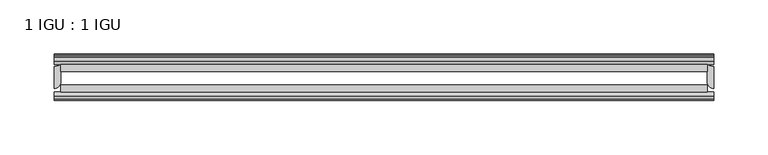
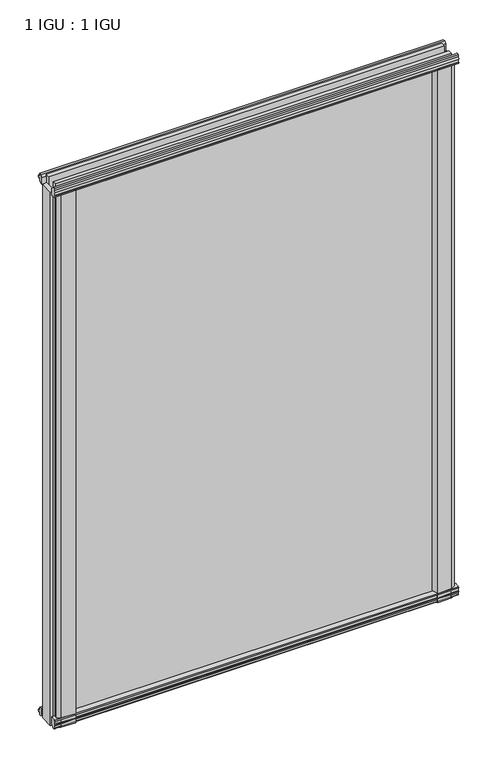
"""IFC4 building model written with IfcOpenShell, lengths in millimetres: plate geometry, 1 IGU : 1 IGU."""

from ifc_helpers import new_model, si_unit, point, frame, frame_2d, origin, place, context, project, spatial, polyline, circle_curve, trimmed, segment, composite_curve, outline, extrude, source, transform, mapped, element, save


def plate_1_igu_1_igu_0daf16ca(model_context):
    return source(origin(), model_context, "Body", "SweptSolid", [
        extrude(outline(composite_curve([segment(polyline([(-46.2359545, 846.392137), (-46.2359545, 835.3699197), (-53.3197108, 836.7372291)]), True, "CONTINUOUS"), segment(trimmed(circle_curve(frame_2d((-53.1447545, 837.7380519)), 1.016), [point((-53.3197108, 836.7372291))], [point((-53.8888005, 838.4298983))], False, "CARTESIAN"), True, "CONTINUOUS"), segment(polyline([(-53.8888005, 838.4298983), (-52.5859205, 838.2460519), (-52.5859205, 843.6562519), (-54.0652165, 843.9170917), (-52.5859205, 846.5010519), (-52.5859205, 849.6760519)]), True, "CONTINUOUS"), segment(trimmed(circle_curve(frame_2d((-51.3159205, 849.6760519)), 1.27), [point((-52.5859205, 849.6760519))], [point((-50.4178949, 850.5740775))], False, "CARTESIAN"), True, "CONTINUOUS"), segment(polyline([(-50.4178949, 850.5740775), (-46.2359545, 846.392137)]), True, "CONTINUOUS")], self_intersect=False)), frame((-304.8, 0.0, 0.0), z_axis=(1.0, 0.0, 0.0), x_axis=(0.0, 1.0, 0.0)), (0.0, 0.0, 1.0), 609.6),
        extrude(outline(polyline([(-17.4323375, 850.8285625), (-14.4859375, 850.8285625), (-14.4859375, 846.3835625), (-12.1057405, 846.0025625), (-12.5656738, 847.4180916), (-11.7644596, 847.4180916), (-11.0569375, 845.2405625), (-11.7644596, 843.0630334), (-12.5656738, 843.0630334), (-12.1057405, 844.4785625), (-14.4859375, 844.0975625), (-14.4859375, 838.8905625), (-20.8359545, 837.1728398), (-20.8359545, 847.9942062), (-17.4323375, 850.8285625)])), frame((-304.8, 0.0, 0.0), z_axis=(1.0, 0.0, 0.0), x_axis=(0.0, 1.0, 0.0)), (0.0, 0.0, 1.0), 609.6),
        extrude(outline(polyline([(-20.8359545, 1.2049602), (-14.4859375, -0.5127625), (-14.4859375, -5.7197625), (-12.1057405, -6.1007625), (-12.5656738, -4.6852334), (-11.7644596, -4.6852334), (-11.0569375, -6.8627625), (-11.7644596, -9.0402916), (-12.5656738, -9.0402916), (-12.1057405, -7.6247625), (-14.4859375, -8.0057625), (-14.4859375, -12.4507625), (-17.4323375, -12.4507625), (-20.8359545, -9.6164062), (-20.8359545, 1.2049602)])), frame((-304.8, 0.0, 0.0), z_axis=(1.0, 0.0, 0.0), x_axis=(0.0, 1.0, 0.0)), (0.0, 0.0, 1.0), 609.6),
        extrude(outline(composite_curve([segment(polyline([(-53.3197108, 1.6405709), (-46.2359545, 3.0078803), (-46.2359545, -8.014337), (-50.4178949, -12.1962775)]), True, "CONTINUOUS"), segment(trimmed(circle_curve(frame_2d((-51.3159205, -11.2982519)), 1.27), [point((-50.4178949, -12.1962775))], [point((-52.5859205, -11.2982519))], False, "CARTESIAN"), True, "CONTINUOUS"), segment(polyline([(-52.5859205, -11.2982519), (-52.5859205, -8.1232519), (-54.0652165, -5.5392917), (-52.5859205, -5.2784519), (-52.5859205, 0.1317481), (-53.8888005, -0.0520983)]), True, "CONTINUOUS"), segment(trimmed(circle_curve(frame_2d((-53.1447545, 0.6397481)), 1.016), [point((-53.8888005, -0.0520983))], [point((-53.3197108, 1.6405709))], False, "CARTESIAN"), True, "CONTINUOUS")], self_intersect=False)), frame((-304.8, 0.0, 0.0), z_axis=(1.0, 0.0, 0.0), x_axis=(0.0, 1.0, 0.0)), (0.0, 0.0, 1.0), 609.6),
        extrude(outline(composite_curve([segment(trimmed(circle_curve(frame_2d((-304.8, -10.4903061)), 12.1389698), [point((-304.8, -22.629276))], [point((-298.45, -20.8359375))], True, "CARTESIAN"), True, "CONTINUOUS"), segment(polyline([(-298.45, -20.8359375), (-298.45, -36.7109375)]), True, "CONTINUOUS"), segment(trimmed(circle_curve(frame_2d((-304.8, -36.7109375)), 6.35), [point((-298.45, -36.7109375))], [point((-304.8, -43.0609375))], False, "CARTESIAN"), True, "CONTINUOUS"), segment(polyline([(-304.8, -43.0609375), (-304.8, -22.629276)]), True, "CONTINUOUS")], self_intersect=False)), frame((0.0, 0.0, -12.7), z_axis=(0.0, 0.0, 1.0), x_axis=(1.0, 0.0, 0.0)), (0.0, 0.0, 1.0), 851.0778),
        extrude(outline(composite_curve([segment(polyline([(-295.689414, -46.2359375), (-269.2454587, -46.2359375)]), True, "CONTINUOUS"), segment(trimmed(circle_curve(frame_2d((-258.1070291, -56.4589223)), 15.118665), [point((-269.2454587, -46.2359375))], [point((-273.05, -54.1607375))], True, "CARTESIAN"), True, "CONTINUOUS"), segment(polyline([(-273.05, -54.1607375), (-294.9360329, -52.904699), (-300.1918113, -50.6809375), (-300.1918113, -48.1409375), (-295.689414, -46.2359375)]), True, "CONTINUOUS")], self_intersect=False)), frame((0.0, 0.0, -12.7), z_axis=(0.0, 0.0, 1.0), x_axis=(1.0, 0.0, 0.0)), (0.0, 0.0, 1.0), 851.0778),
        extrude(outline(composite_curve([segment(polyline([(304.8, -22.629276), (304.8, -43.0609375)]), True, "CONTINUOUS"), segment(trimmed(circle_curve(frame_2d((304.8, -36.7109375)), 6.35), [point((304.8, -43.0609375))], [point((298.45, -36.7109375))], False, "CARTESIAN"), True, "CONTINUOUS"), segment(polyline([(298.45, -36.7109375), (298.45, -20.8359375)]), True, "CONTINUOUS"), segment(trimmed(circle_curve(frame_2d((304.8, -10.4903061)), 12.1389698), [point((298.45, -20.8359375))], [point((304.8, -22.629276))], True, "CARTESIAN"), True, "CONTINUOUS")], self_intersect=False)), frame((0.0, 0.0, -12.6752823), z_axis=(0.0, 0.0, 1.0), x_axis=(1.0, 0.0, 0.0)), (0.0, 0.0, 1.0), 851.0530823),
        extrude(outline(composite_curve([segment(polyline([(300.1918113, -50.6809375), (294.9360329, -52.904699), (273.05, -54.1607375)]), True, "CONTINUOUS"), segment(trimmed(circle_curve(frame_2d((258.1070291, -56.4589223)), 15.118665), [point((273.05, -54.1607375))], [point((269.2454587, -46.2359375))], True, "CARTESIAN"), True, "CONTINUOUS"), segment(polyline([(269.2454587, -46.2359375), (295.689414, -46.2359375), (300.1918113, -48.1409375), (300.1918113, -50.6809375)]), True, "CONTINUOUS")], self_intersect=False)), frame((0.0, 0.0, -12.6752823), z_axis=(0.0, 0.0, 1.0), x_axis=(1.0, 0.0, 0.0)), (0.0, 0.0, 1.0), 851.0530823),
        extrude(outline(polyline([(298.45, -20.8359375), (298.45, -27.1859375), (-298.45, -27.1859375), (-298.45, -20.8359375), (298.45, -20.8359375)])), frame((0.0, 0.0, -12.6752823), z_axis=(0.0, 0.0, 1.0), x_axis=(1.0, 0.0, 0.0)), (0.0, 0.0, 1.0), 863.7283645),
        extrude(outline(polyline([(-298.45, -46.2359375), (-298.45, -39.8859375), (298.45, -39.8859375), (298.45, -46.2359375), (-298.45, -46.2359375)])), frame((0.0, 0.0, -12.6752823), z_axis=(0.0, 0.0, 1.0), x_axis=(1.0, 0.0, 0.0)), (0.0, 0.0, 1.0), 863.7283645),
    ])


if __name__ == "__main__":
    model = new_model("IFC4")
    model_context = context("Model", 3, world=origin())
    ifc_project = project(units=[si_unit("LENGTHUNIT", "METRE", prefix="MILLI")], contexts=[model_context])
    site = spatial("IfcSite", under=ifc_project)
    building = spatial("IfcBuilding", under=site)
    placement = place(None, origin())
    plate_1_igu_1_igu_shape = plate_1_igu_1_igu_0daf16ca(model_context)
    element("IfcPlate", 1, ObjectType="1 IGU : 1 IGU", at=placement, inside=building, context=model_context, shape_type="MappedRepresentation", body=[
        mapped(plate_1_igu_1_igu_shape, transform((0.0, 0.0, 0.0), x_axis=(1.0, 0.0, 0.0), y_axis=(0.0, 1.0, 0.0), z_axis=(0.0, 0.0, 1.0))),
    ])
    save(model, "model.ifc")
